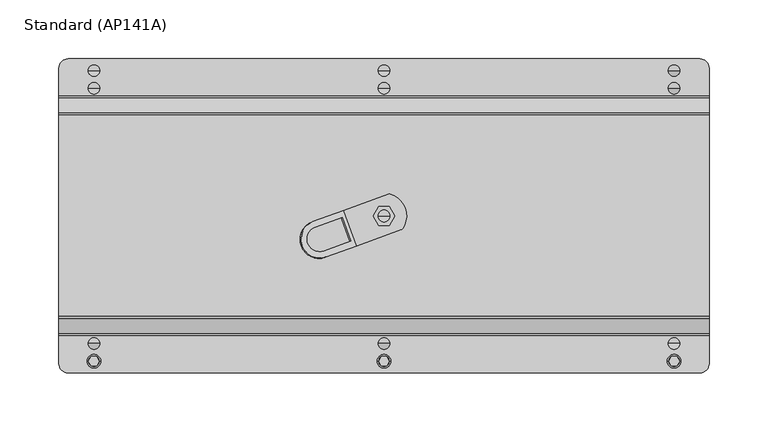
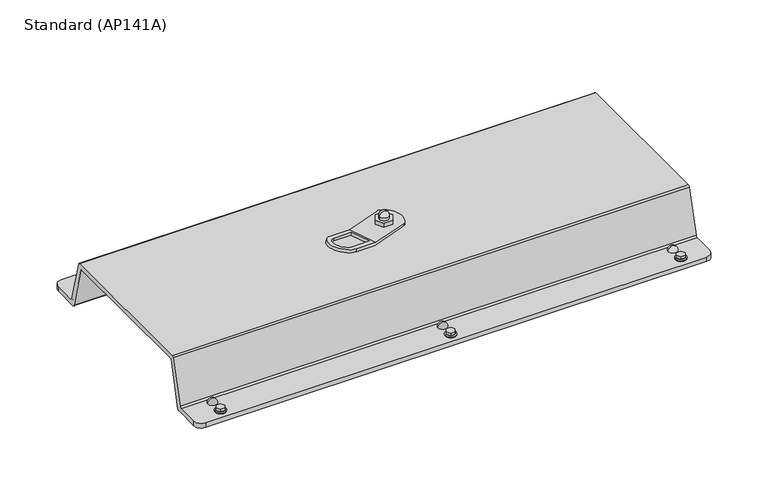
"""IFC4 building model written with IfcOpenShell, lengths in millimetres: proxy geometry, Standard (AP141A)."""

import ifcopenshell
import ifcopenshell.guid

model = None  # the IFC model being written
_history = None  # IfcOwnerHistory: only IFC2X3 demands one
_inside = {}  # id of a spatial element -> (the spatial element, [elements in it])
_under = {}  # id of a project, library or spatial element -> (it, [spatial elements below it])
_declared = {}  # id of a project -> (the project, [libraries it declares])
_typed = {}  # id of a type object -> (the type object, [elements of that type])
_made_of = {}  # id of a material, layer set ... -> (it, [elements and type objects made of it])


def new_model(schema):
    """Start an empty IFC model of exactly this schema.

    Asked for "IFC4X3", IfcOpenShell would pick the latest addendum, in which some entities
    have other attributes; the version numbers below select the first issue.
    IFC2X3 requires an IfcOwnerHistory on every rooted entity: one is made here for all.
    """
    global model, _history
    if schema == "IFC4X3":
        model = ifcopenshell.file(schema_version=(4, 3, 0, 0))
    else:
        model = ifcopenshell.file(schema=schema)
    _inside.clear()
    _under.clear()
    _declared.clear()
    _typed.clear()
    _made_of.clear()
    _history = None
    if model.schema == "IFC2X3":
        org = make("IfcOrganization", Name="unknown")
        user = make(
            "IfcPersonAndOrganization",
            ThePerson=make("IfcPerson", FamilyName="unknown"),
            TheOrganization=org,
        )
        app = make(
            "IfcApplication",
            ApplicationDeveloper=org,
            Version="unknown",
            ApplicationFullName="unknown",
            ApplicationIdentifier="unknown",
        )
        _history = make(
            "IfcOwnerHistory",
            OwningUser=user,
            OwningApplication=app,
            ChangeAction="ADDED",
            CreationDate=0,
        )
    return model


def make(cls, **values):
    """One entity of the class cls with the attributes given. An attribute that is None is left unset."""
    return model.create_entity(
        cls, **{name: value for name, value in values.items() if value is not None}
    )


def rooted(cls, **values):
    """An entity with a GlobalId (a new one), such as an element, a storey or a relation."""
    return make(cls, GlobalId=ifcopenshell.guid.new(), OwnerHistory=_history, **values)


def si_unit(unit_type, name, prefix=None):
    """IfcSIUnit, for example si_unit("LENGTHUNIT", "METRE", prefix="MILLI")."""
    return make("IfcSIUnit", UnitType=unit_type, Prefix=prefix, Name=name)


def assignment(units):
    """IfcUnitAssignment: the units of a project."""
    return None if units is None else make("IfcUnitAssignment", Units=units)


def point(xyz):
    """IfcCartesianPoint."""
    return None if xyz is None else make("IfcCartesianPoint", Coordinates=xyz)


def direction(xyz):
    """IfcDirection."""
    return None if xyz is None else make("IfcDirection", DirectionRatios=xyz)


def frame(location, z_axis=None, x_axis=None):
    """IfcAxis2Placement3D, a coordinate frame: its origin and axes. An axis left out is left unset."""
    return make(
        "IfcAxis2Placement3D",
        Location=point(location),
        Axis=direction(z_axis),
        RefDirection=direction(x_axis),
    )


def origin():
    """The frame at (0, 0, 0) with its axes left unset."""
    return frame((0.0, 0.0, 0.0))


def place(relative_to, where):
    """IfcLocalPlacement: puts the frame where relative to a parent placement (None: the world)."""
    return make(
        "IfcLocalPlacement", PlacementRelTo=relative_to, RelativePlacement=where
    )


def context(
    kind, dimensions, precision=None, world=None, true_north=None, identifier=None
):
    """IfcGeometricRepresentationContext, for example the 3D "Model" context."""
    return make(
        "IfcGeometricRepresentationContext",
        ContextIdentifier=identifier,
        ContextType=kind,
        CoordinateSpaceDimension=dimensions,
        Precision=precision,
        WorldCoordinateSystem=world,
        TrueNorth=true_north,
    )


def project(units=None, contexts=None):
    """IfcProject with its units and contexts."""
    return rooted(
        "IfcProject",
        Name="project",
        RepresentationContexts=contexts,
        UnitsInContext=assignment(units),
    )


def spatial(cls, under=None, at=None, **own):
    """A site, building, storey or space (cls), placed at a placement, below another one or the project."""
    s = rooted(cls, ObjectPlacement=at, **own)
    if under is not None:
        _under.setdefault(under.id(), (under, []))[1].append(s)
    return s


def polyline(points):
    """IfcPolyline through the points."""
    return make("IfcPolyline", Points=[point(p) for p in points])


def circle_curve(where, radius):
    """IfcCircle in the frame where."""
    return make("IfcCircle", Position=where, Radius=radius)


def ellipse_curve(where, semi_axis1, semi_axis2):
    """IfcEllipse in the frame where."""
    return make(
        "IfcEllipse", Position=where, SemiAxis1=semi_axis1, SemiAxis2=semi_axis2
    )


def trimmed(basis, trim1, trim2, sense, master):
    """IfcTrimmedCurve: the piece of a basis curve between two trims."""
    return make(
        "IfcTrimmedCurve",
        BasisCurve=basis,
        Trim1=trim1,
        Trim2=trim2,
        SenseAgreement=sense,
        MasterRepresentation=master,
    )


def outline(outer, holes=None, kind="AREA"):
    """IfcArbitraryClosedProfileDef: a profile drawn as a closed curve; with holes, ...WithVoids."""
    if holes is None:
        return make("IfcArbitraryClosedProfileDef", ProfileType=kind, OuterCurve=outer)
    return make(
        "IfcArbitraryProfileDefWithVoids",
        ProfileType=kind,
        OuterCurve=outer,
        InnerCurves=holes,
    )


def extrude(swept, where, along, depth):
    """IfcExtrudedAreaSolid: the profile swept, set in the frame where, extruded along a direction by depth."""
    return make(
        "IfcExtrudedAreaSolid",
        SweptArea=swept,
        Position=where,
        ExtrudedDirection=direction(along),
        Depth=depth,
    )


def shape(context_of_items, identifier, shape_type, items):
    """IfcShapeRepresentation: the items that make up one representation, for example the "Body"."""
    return make(
        "IfcShapeRepresentation",
        ContextOfItems=context_of_items,
        RepresentationIdentifier=identifier,
        RepresentationType=shape_type,
        Items=items,
    )


def source(mapping_origin, context_of_items, identifier, shape_type, items):
    """IfcRepresentationMap: a shape defined once, which mapped items show again and again."""
    return make(
        "IfcRepresentationMap",
        MappingOrigin=mapping_origin,
        MappedRepresentation=shape(context_of_items, identifier, shape_type, items),
    )


def transform(
    local_origin,
    x_axis=None,
    y_axis=None,
    z_axis=None,
    scale=None,
    scale2=None,
    scale3=None,
    uniform=True,
):
    """IfcCartesianTransformationOperator3D, or its non-uniform kind. x_axis, y_axis, z_axis: its Axis1, 2, 3."""
    if uniform:
        return make(
            "IfcCartesianTransformationOperator3D",
            Axis1=direction(x_axis),
            Axis2=direction(y_axis),
            LocalOrigin=point(local_origin),
            Scale=scale,
            Axis3=direction(z_axis),
        )
    return make(
        "IfcCartesianTransformationOperator3DnonUniform",
        Axis1=direction(x_axis),
        Axis2=direction(y_axis),
        LocalOrigin=point(local_origin),
        Scale=scale,
        Axis3=direction(z_axis),
        Scale2=scale2,
        Scale3=scale3,
    )


def mapped(mapping_source, mapping_target):
    """IfcMappedItem: shows the shape of a source again, moved by a transform."""
    return make(
        "IfcMappedItem", MappingSource=mapping_source, MappingTarget=mapping_target
    )


def made_of(thing, what):
    """Note that an element or type object is made of a material, layer set ...; save() writes the relation."""
    if what is not None:
        _made_of.setdefault(what.id(), (what, []))[1].append(thing)
    return thing


def element(
    cls,
    number,
    at=None,
    inside=None,
    cuts=None,
    type_object=None,
    material=None,
    context=None,
    identifier="Body",
    shape_type=None,
    held_by="IfcProductDefinitionShape",
    body=None,
    shapes=None,
    **own,
):
    """One element of the class cls, such as IfcWall. Its Tag is "e" and its number.

    at: its placement. inside: the storey or other place that contains it. cuts: it is an
    opening in that element (IfcRelVoidsElement). A single representation is given by context,
    identifier, shape_type and body (its items); several are given by shapes. held_by: the class
    of the entity that holds the representations. save() writes the other relations.
    """
    e = rooted(cls, Tag="e%d" % number, ObjectPlacement=at, **own)
    if body is not None:
        shapes = [shape(context, identifier, shape_type, body)]
    if shapes is not None:
        e.Representation = make(held_by, Representations=shapes)
    if inside is not None:
        _inside.setdefault(inside.id(), (inside, []))[1].append(e)
    if cuts is not None:
        rooted(
            "IfcRelVoidsElement", RelatingBuildingElement=cuts, RelatedOpeningElement=e
        )
    if type_object is not None:
        _typed.setdefault(type_object.id(), (type_object, []))[1].append(e)
    return made_of(e, material)


def aggregate(whole, parts):
    """IfcRelAggregates: a whole, such as a stair, and the parts it consists of."""
    return rooted("IfcRelAggregates", RelatingObject=whole, RelatedObjects=parts)


def save(model, path):
    """Write the relations noted so far, then the file.

    IfcRelAggregates (storeys below a building ...), IfcRelContainedInSpatialStructure (elements
    in a storey), IfcRelDefinesByType, IfcRelAssociatesMaterial and IfcRelDeclares: one each for
    every whole, place, type object, material and project.
    """
    for whole, parts in _under.values():
        aggregate(whole, parts)
    for where, things in _inside.values():
        rooted(
            "IfcRelContainedInSpatialStructure",
            RelatedElements=things,
            RelatingStructure=where,
        )
    for kind, things in _typed.values():
        rooted("IfcRelDefinesByType", RelatedObjects=things, RelatingType=kind)
    for what, things in _made_of.values():
        rooted("IfcRelAssociatesMaterial", RelatedObjects=things, RelatingMaterial=what)
    for by, libraries in _declared.values():
        rooted("IfcRelDeclares", RelatingContext=by, RelatedDefinitions=libraries)
    model.write(path)


def plane_surface(at):
    """IfcPlane: the flat surface through the origin of the frame at, square to its z axis."""
    return make("IfcPlane", Position=at)


def cylinder_surface(at, radius):
    """IfcCylindricalSurface: all points at the distance radius from the z axis of the frame at."""
    return make("IfcCylindricalSurface", Position=at, Radius=radius)


def revolved_surface(curve, axis_point, axis_direction):
    """IfcSurfaceOfRevolution: the curve turned about the line through axis_point along axis_direction."""
    return make(
        "IfcSurfaceOfRevolution",
        SweptCurve=make("IfcArbitraryOpenProfileDef", ProfileType="CURVE", Curve=curve),
        AxisPosition=make("IfcAxis1Placement", Location=point(axis_point), Axis=direction(axis_direction)),
    )


def advanced_brep(points, edges, surfaces, faces):
    """IfcAdvancedBrep: a solid bounded by faces that lie on surfaces and meet in shared edges.

    An edge is (start, end): straight between two places in points (the first is 0);
    or (start, end, curve); or (start, end, curve, False) where it runs against its curve.
    A face is (place in surfaces, loops), or (place, loops, False) where it looks against
    its surface's normal. A loop lists edges by number (the first is 1), with a minus sign
    where the edge is run from its end to its start. The first loop is the outer one.
    """
    corners = [point(p) for p in points]
    vertices = [make("IfcVertexPoint", VertexGeometry=c) for c in corners]
    made = []
    for start, end, *more in edges:
        made.append(
            make(
                "IfcEdgeCurve",
                EdgeStart=vertices[start],
                EdgeEnd=vertices[end],
                EdgeGeometry=more[0] if more else make("IfcPolyline", Points=[corners[start], corners[end]]),
                SameSense=more[1] if len(more) > 1 else True,
            )
        )
    hull = []
    for where, loops, *sense in faces:
        bounds = []
        for j, loop in enumerate(loops):
            ring = [make("IfcOrientedEdge", EdgeElement=made[abs(k) - 1], Orientation=k > 0) for k in loop]
            bounds.append(
                make(
                    "IfcFaceOuterBound" if j == 0 else "IfcFaceBound",
                    Bound=make("IfcEdgeLoop", EdgeList=ring),
                    Orientation=True,
                )
            )
        hull.append(make("IfcAdvancedFace", Bounds=bounds, FaceSurface=surfaces[where], SameSense=sense[0] if sense else True))
    return make("IfcAdvancedBrep", Outer=make("IfcClosedShell", CfsFaces=hull))


def standard_ap141a_91ac2d95(model_context):
    return source(origin(), model_context, "Body", "SolidModel", [
        advanced_brep(
        [(-276.0, 133.5384758, 0.0), (-276.0, 133.5384758, 5.0), (-268.0384758, 141.5, 5.0), (-268.0384758, 141.5, 0.0), (276.0, 133.5384758, 5.0), (276.0, 133.5384758, 0.0), (268.0384758, 141.5, 0.0), (268.0384758, 141.5, 5.0), (-276.0, -117.5384758, 5.0), (-276.0, -117.5384758, 0.0), (-268.0384758, -125.5, 0.0), (-268.0384758, -125.5, 5.0), (276.0, -117.5384758, 0.0), (276.0, -117.5384758, 5.0), (268.0384758, -125.5, 5.0), (268.0384758, -125.5, 0.0), (-276.0, 106.2364948, 0.0), (-276.0, 104.3046432, 1.4823619), (-276.0, 91.7015789, 48.5176381), (-276.0, 89.7697272, 50.0), (-276.0, -73.7697272, 50.0), (-276.0, -75.7015789, 49.981704), (-276.0, -88.3046432, 1.4823619), (-276.0, -90.2364948, 0.0), (-276.0, -94.0731297, 5.0), (-276.0, -92.1412781, 6.4823619), (-276.0, -79.5382138, 53.5176381), (-276.0, -77.6063622, 55.0), (-276.0, 93.6063622, 55.0), (-276.0, 95.5382138, 53.5176381), (-276.0, 108.1412781, 6.4823619), (-276.0, 110.0731297, 5.0), (276.0, 110.0731297, 5.0), (276.0, 108.1412781, 6.4823619), (276.0, 95.5382138, 53.5176381), (276.0, 93.6063622, 55.0), (276.0, -77.6063622, 55.0), (276.0, -79.5382138, 53.5176381), (276.0, -92.1412781, 6.4823619), (276.0, -94.0731297, 5.0), (276.0, -90.2364948, 0.0), (276.0, -88.3046432, 1.4823619), (276.0, -75.7015789, 49.981704), (276.0, -73.7697272, 50.0), (276.0, 89.7697272, 50.0), (276.0, 91.7015789, 48.5176381), (276.0, 104.3046432, 1.4823619), (276.0, 106.2364948, 0.0)],
        [
            (0, 1),
            (1, 2, circle_curve(frame((-268.0384758, 133.5384758, 5.0), z_axis=(0.0, 0.0, -1.0), x_axis=(0.0, 1.0, 0.0)), 7.9615242)),
            (2, 3),
            (3, 0, circle_curve(frame((-268.0384758, 133.5384758, 0.0), z_axis=(0.0, 0.0, 1.0), x_axis=(0.0, 1.0, 0.0)), 7.9615242)),
            (4, 5),
            (5, 6, circle_curve(frame((268.0384758, 133.5384758, 0.0), z_axis=(0.0, 0.0, 1.0), x_axis=(0.0, 1.0, 0.0)), 7.9615242)),
            (6, 7),
            (7, 4, circle_curve(frame((268.0384758, 133.5384758, 5.0), z_axis=(0.0, 0.0, -1.0), x_axis=(0.0, 1.0, 0.0)), 7.9615242)),
            (8, 9),
            (9, 10, circle_curve(frame((-268.0384758, -117.5384758, 0.0), z_axis=(0.0, 0.0, 1.0), x_axis=(0.0, 1.0, 0.0)), 7.9615242)),
            (10, 11),
            (11, 8, circle_curve(frame((-268.0384758, -117.5384758, 5.0), z_axis=(0.0, 0.0, -1.0), x_axis=(0.0, 1.0, 0.0)), 7.9615242)),
            (12, 13),
            (13, 14, circle_curve(frame((268.0384758, -117.5384758, 5.0), z_axis=(0.0, 0.0, -1.0), x_axis=(0.0, 1.0, 0.0)), 7.9615242)),
            (14, 15),
            (15, 12, circle_curve(frame((268.0384758, -117.5384758, 0.0), z_axis=(0.0, 0.0, 1.0), x_axis=(0.0, 1.0, 0.0)), 7.9615242)),
            (16, 17, circle_curve(frame((-276.0, 106.2364948, 2.0), z_axis=(-1.0, 0.0, 0.0), x_axis=(0.0, 1.0, 0.0)), 2.0)),
            (17, 18),
            (18, 19, circle_curve(frame((-276.0, 89.7697272, 48.0), z_axis=(1.0, 0.0, 0.0), x_axis=(0.0, 1.0, 0.0)), 2.0)),
            (19, 20),
            (20, 21, circle_curve(frame((-276.0, -73.7697272, -52.0), z_axis=(1.0, 0.0, 0.0), x_axis=(0.0, 1.0, 0.0)), 102.0)),
            (21, 22),
            (22, 23, circle_curve(frame((-276.0, -90.2364948, 2.0), z_axis=(-1.0, 0.0, 0.0), x_axis=(0.0, 1.0, 0.0)), 2.0)),
            (23, 9),
            (8, 24),
            (24, 25, circle_curve(frame((-276.0, -94.0731297, 7.0), z_axis=(1.0, 0.0, 0.0), x_axis=(0.0, 1.0, 0.0)), 2.0)),
            (25, 26),
            (26, 27, circle_curve(frame((-276.0, -77.6063622, 53.0), z_axis=(-1.0, 0.0, 0.0), x_axis=(0.0, 1.0, 0.0)), 2.0)),
            (27, 28),
            (28, 29, circle_curve(frame((-276.0, 93.6063622, 53.0), z_axis=(-1.0, 0.0, 0.0), x_axis=(0.0, 1.0, 0.0)), 2.0)),
            (29, 30),
            (30, 31, circle_curve(frame((-276.0, 110.0731297, 7.0), z_axis=(1.0, 0.0, 0.0), x_axis=(0.0, 1.0, 0.0)), 2.0)),
            (31, 1),
            (0, 16),
            (32, 33, circle_curve(frame((276.0, 110.0731297, 7.0), z_axis=(-1.0, 0.0, 0.0), x_axis=(0.0, 1.0, 0.0)), 2.0)),
            (33, 34),
            (34, 35, circle_curve(frame((276.0, 93.6063622, 53.0), z_axis=(1.0, 0.0, 0.0), x_axis=(0.0, 1.0, 0.0)), 2.0)),
            (35, 36),
            (36, 37, circle_curve(frame((276.0, -77.6063622, 53.0), z_axis=(1.0, 0.0, 0.0), x_axis=(0.0, 1.0, 0.0)), 2.0)),
            (37, 38),
            (38, 39, circle_curve(frame((276.0, -94.0731297, 7.0), z_axis=(-1.0, 0.0, 0.0), x_axis=(0.0, 1.0, 0.0)), 2.0)),
            (39, 13),
            (12, 40),
            (40, 41, circle_curve(frame((276.0, -90.2364948, 2.0), z_axis=(1.0, 0.0, 0.0), x_axis=(0.0, 1.0, 0.0)), 2.0)),
            (41, 42),
            (42, 43, circle_curve(frame((276.0, -73.7697272, -52.0), z_axis=(-1.0, 0.0, 0.0), x_axis=(0.0, 1.0, 0.0)), 102.0)),
            (43, 44),
            (44, 45, circle_curve(frame((276.0, 89.7697272, 48.0), z_axis=(-1.0, 0.0, 0.0), x_axis=(0.0, 1.0, 0.0)), 2.0)),
            (45, 46),
            (46, 47, circle_curve(frame((276.0, 106.2364948, 2.0), z_axis=(1.0, 0.0, 0.0), x_axis=(0.0, 1.0, 0.0)), 2.0)),
            (47, 5),
            (4, 32),
            (31, 32),
            (7, 2),
            (6, 3),
            (47, 16),
            (46, 17),
            (45, 18),
            (44, 19),
            (43, 20),
            (42, 21),
            (41, 22),
            (40, 23),
            (15, 10),
            (14, 11),
            (39, 24),
            (38, 25),
            (37, 26),
            (36, 27),
            (35, 28),
            (34, 29),
            (33, 30),
        ],
        [
            cylinder_surface(frame((-268.0384758, 133.5384758, 5.0), z_axis=(0.0, 0.0, 1.0), x_axis=(0.0, 1.0, 0.0)), 7.9615242),
            cylinder_surface(frame((268.0384758, 133.5384758, 5.0), z_axis=(0.0, 0.0, 1.0), x_axis=(0.0, 1.0, 0.0)), 7.9615242),
            cylinder_surface(frame((-268.0384758, -117.5384758, 5.0), z_axis=(0.0, 0.0, 1.0), x_axis=(0.0, 1.0, 0.0)), 7.9615242),
            cylinder_surface(frame((268.0384758, -117.5384758, 5.0), z_axis=(0.0, 0.0, 1.0), x_axis=(0.0, 1.0, 0.0)), 7.9615242),
            plane_surface(frame((-276.0, 8.0, 70.0), z_axis=(-1.0, 0.0, 0.0), x_axis=(0.0, 0.0, 1.0))),
            plane_surface(frame((276.0, 8.0, 70.0), z_axis=(1.0, 0.0, 0.0), x_axis=(0.0, 0.0, 1.0))),
            plane_surface(frame((-276.0, 110.0731297, 5.0), z_axis=(0.0, 0.0, 1.0), x_axis=(1.0, 0.0, 0.0))),
            plane_surface(frame((-276.0, 141.5, 5.0), z_axis=(0.0, 1.0, 0.0), x_axis=(1.0, 0.0, 0.0))),
            plane_surface(frame((-276.0, 141.5, 0.0), z_axis=(0.0, 0.0, -1.0), x_axis=(1.0, 0.0, 0.0))),
            cylinder_surface(frame((-276.0, 106.2364948, 2.0), z_axis=(-1.0, 0.0, 0.0), x_axis=(0.0, 1.0, 0.0)), 2.0),
            plane_surface(frame((-276.0, 104.3046432, 1.4823619), z_axis=(0.0, -0.9659258262887878, -0.25881904510356757), x_axis=(1.0, 0.0, 0.0))),
            revolved_surface(polyline([(276.0, 91.7697272, 48.0), (-276.0, 91.7697272, 48.0)]), (-276.0, 89.7697272, 48.0), (1.0, 0.0, 0.0)),
            plane_surface(frame((-276.0, 89.7697272, 50.0), z_axis=(0.0, 0.0, -1.0), x_axis=(1.0, 0.0, 0.0))),
            revolved_surface(polyline([(276.0, 28.230272799999995, -52.0), (-276.0, 28.230272799999995, -52.0)]), (-276.0, -73.7697272, -52.0), (1.0, 0.0, 0.0)),
            plane_surface(frame((-276.0, -75.7015789, 49.981704), z_axis=(0.0, 0.967855375076506, -0.25150740135335165), x_axis=(1.0, 0.0, 0.0))),
            cylinder_surface(frame((-276.0, -90.2364948, 2.0), z_axis=(-1.0, 0.0, 0.0), x_axis=(0.0, 1.0, 0.0)), 2.0),
            plane_surface(frame((-276.0, -90.2364948, 0.0), z_axis=(0.0, 0.0, -1.0), x_axis=(1.0, 0.0, 0.0))),
            plane_surface(frame((-276.0, -125.5, 0.0), z_axis=(0.0, -1.0, 0.0), x_axis=(1.0, 0.0, 0.0))),
            plane_surface(frame((-276.0, -125.5, 5.0), z_axis=(0.0, 0.0, 1.0), x_axis=(1.0, 0.0, 0.0))),
            revolved_surface(polyline([(276.0, -92.0731297, 7.0), (-276.0, -92.0731297, 7.0)]), (-276.0, -94.0731297, 7.0), (1.0, 0.0, 0.0)),
            plane_surface(frame((-276.0, -92.1412781, 6.4823619), z_axis=(0.0, -0.9659258262889532, 0.2588190451029505), x_axis=(1.0, 0.0, 0.0))),
            cylinder_surface(frame((-276.0, -77.6063622, 53.0), z_axis=(-1.0, 0.0, 0.0), x_axis=(0.0, 1.0, 0.0)), 2.0),
            plane_surface(frame((-276.0, -77.6063622, 55.0), z_axis=(0.0, 0.0, 1.0), x_axis=(1.0, 0.0, 0.0))),
            cylinder_surface(frame((-276.0, 93.6063622, 53.0), z_axis=(-1.0, 0.0, 0.0), x_axis=(0.0, 1.0, 0.0)), 2.0),
            plane_surface(frame((-276.0, 95.5382138, 53.5176381), z_axis=(0.0, 0.9659258262890148, 0.2588190451027205), x_axis=(1.0, 0.0, 0.0))),
            revolved_surface(polyline([(276.0, 112.0731297, 7.0), (-276.0, 112.0731297, 7.0)]), (-276.0, 110.0731297, 7.0), (1.0, 0.0, 0.0)),
        ],
        [
            (0, [[1, 2, 3, 4]]),
            (1, [[5, 6, 7, 8]]),
            (2, [[9, 10, 11, 12]]),
            (3, [[13, 14, 15, 16]]),
            (4, [[17, 18, 19, 20, 21, 22, 23, 24, -9, 25, 26, 27, 28, 29, 30, 31, 32, 33, -1, 34]]),
            (5, [[35, 36, 37, 38, 39, 40, 41, 42, -13, 43, 44, 45, 46, 47, 48, 49, 50, 51, -5, 52]]),
            (6, [[53, -52, -8, 54, -2, -33]]),
            (7, [[-54, -7, 55, -3]]),
            (8, [[56, -34, -4, -55, -6, -51]]),
            (9, [[-17, -56, -50, 57]]),
            (10, [[-18, -57, -49, 58]]),
            (11, [[-19, -58, -48, 59]]),
            (12, [[-20, -59, -47, 60]]),
            (13, [[-21, -60, -46, 61]]),
            (14, [[-22, -61, -45, 62]]),
            (15, [[-23, -62, -44, 63]]),
            (16, [[-63, -43, -16, 64, -10, -24]]),
            (17, [[-64, -15, 65, -11]]),
            (18, [[66, -25, -12, -65, -14, -42]]),
            (19, [[-26, -66, -41, 67]]),
            (20, [[-27, -67, -40, 68]]),
            (21, [[-28, -68, -39, 69]]),
            (22, [[-29, -69, -38, 70]]),
            (23, [[-30, -70, -37, 71]]),
            (24, [[-31, -71, -36, 72]]),
            (25, [[-32, -72, -35, -53]]),
        ],
    ),
        advanced_brep(
        [(4.9975558, 8.0, 62.4700726), (-4.9975558, 8.0, 62.4700726), (-4.9975558, 8.0, 65.239606), (4.9975558, 8.0, 65.239606), (2.018899, 8.0, 62.4700726), (-2.018899, 8.0, 62.4700726), (2.018899, 8.0, 40.0819807), (-2.018899, 8.0, 40.0819807), (0.0, 8.0, 40.0819807), (0.0, 8.0, 70.0)],
        [
            (0, 1, circle_curve(frame((0.0, 8.0, 62.4700726), z_axis=(0.0, 0.0, 1.0), x_axis=(-1.0, 0.0, 0.0)), 4.9975558)),
            (1, 2),
            (2, 3, circle_curve(frame((0.0, 8.0, 65.239606), z_axis=(0.0, 0.0, -1.0), x_axis=(-1.0, 0.0, 0.0)), 4.9975558)),
            (3, 0),
            (1, 0, circle_curve(frame((0.0, 8.0, 62.4700726), z_axis=(0.0, 0.0, 1.0), x_axis=(-1.0, 0.0, 0.0)), 4.9975558)),
            (3, 2, circle_curve(frame((0.0, 8.0, 65.239606), z_axis=(0.0, 0.0, -1.0), x_axis=(-1.0, 0.0, 0.0)), 4.9975558)),
            (4, 5, circle_curve(frame((0.0, 8.0, 62.4700726), z_axis=(0.0, 0.0, 1.0), x_axis=(-1.0, 0.0, 0.0)), 2.018899)),
            (5, 1),
            (0, 4),
            (5, 4, circle_curve(frame((0.0, 8.0, 62.4700726), z_axis=(0.0, 0.0, 1.0), x_axis=(-1.0, 0.0, 0.0)), 2.018899)),
            (6, 7, circle_curve(frame((0.0, 8.0, 40.0819807), z_axis=(0.0, 0.0, 1.0), x_axis=(-1.0, 0.0, 0.0)), 2.018899)),
            (7, 5),
            (4, 6),
            (7, 6, circle_curve(frame((0.0, 8.0, 40.0819807), z_axis=(0.0, 0.0, 1.0), x_axis=(-1.0, 0.0, 0.0)), 2.018899)),
            (8, 7),
            (6, 8),
            (2, 9, circle_curve(frame((-0.2315344, 8.0, 65.239606), z_axis=(0.0, 1.0, 0.0), x_axis=(1.0, 0.0, 0.0)), 4.7660214)),
            (9, 3, circle_curve(frame((0.2315344, 8.0, 65.239606), z_axis=(0.0, 1.0, 0.0), x_axis=(-1.0, 0.0, 0.0)), 4.7660214)),
        ],
        [
            cylinder_surface(frame((0.0, 8.0, 70.0), z_axis=(0.0, 0.0, -1.0), x_axis=(-1.0, 0.0, 0.0)), 4.9975558),
            plane_surface(frame((0.0, 8.0, 62.4700726), z_axis=(0.0, 0.0, -1.0), x_axis=(-1.0, 0.0, 0.0))),
            cylinder_surface(frame((0.0, 8.0, 70.0), z_axis=(0.0, 0.0, -1.0), x_axis=(-1.0, 0.0, 0.0)), 2.018899),
            plane_surface(frame((0.0, 8.0, 40.0819807), z_axis=(0.0, 0.0, -1.0), x_axis=(-1.0, 0.0, 0.0))),
            revolved_surface(trimmed(ellipse_curve(frame((-0.2315344, 8.0, 65.239606), z_axis=(0.0, -1.0, 0.0), x_axis=(1.0, 0.0, 0.0)), 4.7660214, 4.7660214), [point((0.0, 8.0, 70.0))], [point((-4.9975558, 8.0, 65.239606))], True, "CARTESIAN"), (0.0, 8.0, 70.0), (0.0, 0.0, -1.0)),
        ],
        [
            (0, [[1, 2, 3, 4]]),
            (0, [[5, -4, 6, -2]]),
            (1, [[7, 8, -1, 9]]),
            (1, [[10, -9, -5, -8]]),
            (2, [[11, 12, -7, 13]]),
            (2, [[14, -13, -10, -12]]),
            (3, [[15, -11, 16]]),
            (3, [[-16, -14, -15]]),
            (4, [[-3, 17, 18]]),
            (4, [[-6, -18, -17]]),
        ],
    ),
        advanced_brep(
        [(14.7843745, -3.6457721, 58.0), (15.7444666, -2.9051707, 58.0), (5.0526834, 26.4738022, 58.0), (3.8410114, 26.4240413, 58.0), (-34.2476637, 12.5608973, 58.0), (-23.3032816, -17.5085452, 58.0), (-4.6188022, 0.0, 58.0), (-9.2376043, 8.0, 58.0), (-4.6188022, 16.0, 58.0), (4.6188022, 16.0, 58.0), (9.2376043, 8.0, 58.0), (4.6188022, 0.0, 58.0), (14.7843745, -3.6457721, 55.0), (-23.3032816, -17.5085452, 55.0), (-34.2479262, 12.5616186, 55.0), (3.8410114, 26.4240413, 55.0), (5.0526834, 26.4738022, 55.0), (15.7444666, -2.9051707, 55.0), (-9.2376043, 8.0, 55.0), (-4.6188022, 0.0, 55.0), (4.6188022, 0.0, 55.0), (9.2376043, 8.0, 55.0), (4.6188022, 16.0, 55.0), (-4.6188022, 16.0, 55.0), (-60.3795268, 3.0504939, 65.7134648), (-61.1234023, 2.7797453, 62.8595228), (-50.1787577, -27.2904186, 62.8595228), (-49.4348822, -27.01967, 65.7134648), (-58.6694261, -1.6479692, 65.7134648), (-35.575091, 6.7576813, 58.8965329), (-28.253942, -13.3570103, 58.8965329), (-51.3482771, -21.7626608, 65.7134648), (-36.3036665, 6.4925015, 56.1012907), (-59.4133016, -1.9187178, 62.8595228), (-28.9825175, -13.6221901, 56.1012907), (-52.0921526, -22.0334094, 62.8595228), (-9.2376043, 8.0, 62.4700726), (-4.6188022, 0.0, 62.4700726), (4.6188022, 0.0, 62.4700726), (9.2376043, 8.0, 62.4700726), (4.6188022, 16.0, 62.4700726), (-4.6188022, 16.0, 62.4700726), (-9.2376043, 8.0, 45.0), (-4.6188022, 16.0, 45.0), (4.6188022, 16.0, 45.0), (9.2376043, 8.0, 45.0), (4.6188022, 0.0, 45.0), (-4.6188022, 0.0, 45.0)],
        [
            (0, 1, circle_curve(frame((14.1003342, -1.7663869, 58.0), z_axis=(0.0, 0.0, 1.0), x_axis=(-1.0, 0.0, 0.0)), 2.0)),
            (1, 2, circle_curve(frame((0.0, 8.0, 58.0), z_axis=(0.0, 0.0, 1.0), x_axis=(-1.0, 0.0, 0.0)), 19.15231)),
            (2, 3, circle_curve(frame((4.5250517, 24.5446561, 58.0), z_axis=(0.0, 0.0, 1.0), x_axis=(-1.0, 0.0, 0.0)), 2.0)),
            (3, 4),
            (4, 5),
            (5, 0),
            (6, 7),
            (7, 8),
            (8, 9),
            (9, 10),
            (10, 11),
            (11, 6),
            (12, 13),
            (13, 14),
            (14, 15),
            (15, 16, circle_curve(frame((4.5250517, 24.5446561, 55.0), z_axis=(0.0, 0.0, -1.0), x_axis=(-1.0, 0.0, 0.0)), 2.0)),
            (16, 17, circle_curve(frame((0.0, 8.0, 55.0), z_axis=(0.0, 0.0, -1.0), x_axis=(-1.0, 0.0, 0.0)), 19.15231)),
            (17, 12, circle_curve(frame((14.1003342, -1.7663869, 55.0), z_axis=(0.0, 0.0, -1.0), x_axis=(-1.0, 0.0, 0.0)), 2.0)),
            (18, 19),
            (19, 20),
            (20, 21),
            (21, 22),
            (22, 23),
            (23, 18),
            (1, 17),
            (16, 2),
            (0, 12),
            (15, 3),
            (24, 4),
            (14, 25),
            (25, 24),
            (26, 13),
            (5, 27),
            (27, 26),
            (24, 27, circle_curve(frame((-54.9072045, -11.9845881, 65.7134648), z_axis=(0.25116542412518367, 0.09141673825841218, 0.9636176159090336), x_axis=(-0.9055043629290311, -0.32957663510433993, 0.26728466156850533)), 16.0)),
            (28, 29),
            (29, 30),
            (30, 31),
            (31, 28, circle_curve(frame((-55.0088516, -11.705315, 65.7134648), z_axis=(-0.25116542412518367, -0.09141673825841218, -0.9636176159090336), x_axis=(-0.9055043629290311, -0.32957663510433993, 0.26728466156850533)), 10.7028038)),
            (32, 29),
            (28, 33),
            (33, 32),
            (32, 34),
            (34, 30),
            (25, 26, ellipse_curve(frame((-55.65108, -12.2553366, 62.8595228), z_axis=(0.24900195759602314, 0.09062930083896657, 0.9642532628634392), x_axis=(-0.9061016756814827, -0.3297940391667767, 0.26498234857679087)), 16.0000456, 16.0)),
            (34, 35),
            (35, 31),
            (35, 33, ellipse_curve(frame((-55.7527271, -11.9760636, 62.8595228), z_axis=(-0.24900195759602314, -0.09062930083896657, -0.9642532628634392), x_axis=(0.9061016756814827, 0.3297940391667767, -0.26498234857679087)), 10.7028344, 10.7028038)),
            (36, 37),
            (37, 38),
            (38, 39),
            (39, 40),
            (40, 41),
            (41, 36),
            (42, 43),
            (43, 44),
            (44, 45),
            (45, 46),
            (46, 47),
            (47, 42),
            (36, 7),
            (6, 37),
            (47, 19),
            (18, 42),
            (11, 38),
            (46, 20),
            (10, 39),
            (45, 21),
            (9, 40),
            (44, 22),
            (8, 41),
            (43, 23),
        ],
        [
            plane_surface(frame((12.1003342, -1.7663869, 58.0), z_axis=(0.0, 0.0, 1.0), x_axis=(0.0, -1.0, 0.0))),
            plane_surface(frame((12.1003342, -1.7663869, 55.0), z_axis=(0.0, 0.0, -1.0), x_axis=(0.0, 1.0, 0.0))),
            cylinder_surface(frame((0.0, 8.0, 55.0), z_axis=(0.0, 0.0, 1.0), x_axis=(-1.0, 0.0, 0.0)), 19.15231),
            cylinder_surface(frame((14.1003342, -1.7663869, 55.0), z_axis=(0.0, 0.0, 1.0), x_axis=(-1.0, 0.0, 0.0)), 2.0),
            cylinder_surface(frame((4.5250517, 24.5446561, 55.0), z_axis=(0.0, 0.0, 1.0), x_axis=(-1.0, 0.0, 0.0)), 2.0),
            plane_surface(frame((-74.9014089, -2.235039, 70.0), z_axis=(-0.3420201433256619, 0.9396926207859111, 0.0), x_axis=(0.2511654241251734, 0.09141673825840832, 0.9636176159090366))),
            plane_surface(frame((-63.9567643, -32.3052028, 70.0), z_axis=(0.3420201433256619, -0.9396926207859111, 0.0), x_axis=(-0.2511654241251734, -0.09141673825840832, -0.9636176159090366))),
            plane_surface(frame((-23.3032816, -17.5085452, 58.0), z_axis=(0.25116542412518367, 0.09141673825841218, 0.9636176159090336), x_axis=(-0.3420201433256619, 0.9396926207859109, 0.0))),
            plane_surface(frame((-34.594176, 7.1147052, 62.6598971), z_axis=(0.34202014332566183, -0.939692620785911, 0.0), x_axis=(-0.251165424125183, -0.09141673825841225, -0.9636176159090337))),
            plane_surface(frame((-27.273027, -12.9999864, 62.6598971), z_axis=(-0.905504362929031, -0.32957663510434004, 0.26728466156850555), x_axis=(-0.2511654241251839, -0.09141673825841222, -0.9636176159090335))),
            cylinder_surface(frame((-54.9072045, -11.9845881, 65.7134648), z_axis=(-0.25116542412518367, -0.09141673825841218, -0.9636176159090336), x_axis=(-0.9055043629290311, -0.32957663510433993, 0.26728466156850533)), 16.0),
            plane_surface(frame((-50.3673621, -21.405637, 69.476829), z_axis=(-0.3420201433256609, 0.9396926207859114, 0.0), x_axis=(-0.2511654241251839, -0.09141673825841222, -0.9636176159090335))),
            revolved_surface(polyline([(-64.70028710106304, -15.23270908624029, 68.57416008633575), (-65.45058320215553, -15.505794533923938, 65.69558496924385)]), (-57.1800241, -12.4955572, 57.3835758), (0.25116542412518367, 0.09141673825841218, 0.9636176159090336)),
            plane_surface(frame((-64.7102606, -32.5794531, 67.1091472), z_axis=(-0.24900195759602314, -0.09062930083896657, -0.9642532628634392), x_axis=(-0.3420201433256619, 0.9396926207859109, 0.0))),
            plane_surface(frame((-9.2376043, 8.0, 62.4700726), z_axis=(0.0, 0.0, 1.0), x_axis=(0.4999999999999948, -0.8660254037844417, 0.0))),
            plane_surface(frame((-9.2376043, 8.0, 45.0), z_axis=(0.0, 0.0, -1.0), x_axis=(-0.4999999999999948, 0.8660254037844417, 0.0))),
            plane_surface(frame((-9.2376043, 8.0, 62.4700726), z_axis=(-0.8660254037844417, -0.4999999999999948, 0.0), x_axis=(0.0, 0.0, -1.0))),
            plane_surface(frame((-4.6188022, 0.0, 62.4700726), z_axis=(0.0, -1.0, 0.0), x_axis=(0.0, 0.0, -1.0))),
            plane_surface(frame((4.6188022, 0.0, 62.4700726), z_axis=(0.8660254037844363, -0.5000000000000043, 0.0), x_axis=(0.0, 0.0, -1.0))),
            plane_surface(frame((9.2376043, 8.0, 62.4700726), z_axis=(0.8660254037844431, 0.49999999999999245, 0.0), x_axis=(0.0, 0.0, -1.0))),
            plane_surface(frame((4.6188022, 16.0, 62.4700726), z_axis=(0.0, 1.0, 0.0), x_axis=(0.0, 0.0, -1.0))),
            plane_surface(frame((-4.6188022, 16.0, 62.4700726), z_axis=(-0.8660254037844376, 0.5000000000000019, 0.0), x_axis=(0.0, 0.0, -1.0))),
        ],
        [
            (0, [[1, 2, 3, 4, 5, 6], [7, 8, 9, 10, 11, 12]]),
            (1, [[13, 14, 15, 16, 17, 18], [19, 20, 21, 22, 23, 24]]),
            (2, [[-2, 25, -17, 26]]),
            (3, [[-1, 27, -18, -25]]),
            (4, [[-3, -26, -16, 28]]),
            (5, [[29, -4, -28, -15, 30, 31]]),
            (6, [[32, -13, -27, -6, 33, 34]]),
            (7, [[-29, 35, -33, -5], [36, 37, 38, 39]]),
            (8, [[40, -36, 41, 42]]),
            (9, [[-40, 43, 44, -37]]),
            (10, [[-31, 45, -34, -35]]),
            (11, [[-44, 46, 47, -38]]),
            (12, [[-47, 48, -41, -39]]),
            (13, [[-30, -14, -32, -45], [-42, -48, -46, -43]]),
            (14, [[49, 50, 51, 52, 53, 54]]),
            (15, [[55, 56, 57, 58, 59, 60]]),
            (16, [[-49, 61, -7, 62]]),
            (16, [[-60, 63, -19, 64]]),
            (17, [[-50, -62, -12, 65]]),
            (17, [[-59, 66, -20, -63]]),
            (18, [[-51, -65, -11, 67]]),
            (18, [[-58, 68, -21, -66]]),
            (19, [[-52, -67, -10, 69]]),
            (19, [[-57, 70, -22, -68]]),
            (20, [[-53, -69, -9, 71]]),
            (20, [[-56, 72, -23, -70]]),
            (21, [[-54, -71, -8, -61]]),
            (21, [[-55, -64, -24, -72]]),
        ],
    ),
        extrude(outline(polyline([(-250.8993561, -115.5), (-248.574678, -111.4735395), (-243.925322, -111.4735395), (-241.6006439, -115.5), (-243.925322, -119.5264605), (-248.574678, -119.5264605), (-250.8993561, -115.5)])), frame((0.0, 0.0, 7.0), z_axis=(0.0, 0.0, 1.0), x_axis=(1.0, 0.0, 0.0)), (0.0, 0.0, 1.0), 3.0),
        advanced_brep(
        [(-240.4764973, -115.5, 5.97969), (-252.0235027, -115.5, 5.97969), (-252.0235027, -115.5, 5.0), (-240.4764973, -115.5, 5.0), (-241.4764973, -115.5, 6.97969), (-251.0235027, -115.5, 6.97969), (-246.25, -115.5, 6.97969), (-246.25, -115.5, 5.0)],
        [
            (0, 1, circle_curve(frame((-246.25, -115.5, 5.97969), z_axis=(0.0, 0.0, -1.0), x_axis=(-1.0, 0.0, 0.0)), 5.7735027)),
            (1, 2),
            (2, 3, circle_curve(frame((-246.25, -115.5, 5.0), z_axis=(0.0, 0.0, 1.0), x_axis=(-1.0, 0.0, 0.0)), 5.7735027)),
            (3, 0),
            (1, 0, circle_curve(frame((-246.25, -115.5, 5.97969), z_axis=(0.0, 0.0, -1.0), x_axis=(-1.0, 0.0, 0.0)), 5.7735027)),
            (3, 2, circle_curve(frame((-246.25, -115.5, 5.0), z_axis=(0.0, 0.0, 1.0), x_axis=(-1.0, 0.0, 0.0)), 5.7735027)),
            (4, 5, circle_curve(frame((-246.25, -115.5, 6.97969), z_axis=(0.0, 0.0, -1.0), x_axis=(-1.0, 0.0, 0.0)), 4.7735027)),
            (5, 1, circle_curve(frame((-251.0235027, -115.5, 5.97969), z_axis=(0.0, -1.0, 0.0), x_axis=(-1.0, 0.0, 0.0)), 1.0)),
            (0, 4, circle_curve(frame((-241.4764973, -115.5, 5.97969), z_axis=(0.0, -1.0, 0.0), x_axis=(1.0, 0.0, 0.0)), 1.0)),
            (5, 4, circle_curve(frame((-246.25, -115.5, 6.97969), z_axis=(0.0, 0.0, -1.0), x_axis=(-1.0, 0.0, 0.0)), 4.7735027)),
            (6, 5),
            (4, 6),
            (2, 7),
            (7, 3),
        ],
        [
            cylinder_surface(frame((-246.25, -115.5, 5.0), z_axis=(0.0, 0.0, 1.0), x_axis=(-1.0, 0.0, 0.0)), 5.7735027),
            revolved_surface(trimmed(ellipse_curve(frame((-251.0235027, -115.5, 5.97969), z_axis=(0.0, 1.0, 0.0), x_axis=(-1.0, 0.0, 0.0)), 1.0, 1.0), [point((-252.0235027, -115.5, 5.97969))], [point((-251.0235027, -115.5, 6.97969))], True, "CARTESIAN"), (-246.25, -115.5, 5.0), (0.0, 0.0, 1.0)),
            plane_surface(frame((-246.25, -115.5, 6.97969), z_axis=(0.0, 0.0, 1.0), x_axis=(-1.0, 0.0, 0.0))),
            plane_surface(frame((-246.25, -115.5, 5.0), z_axis=(0.0, 0.0, -1.0), x_axis=(-1.0, 0.0, 0.0))),
        ],
        [
            (0, [[1, 2, 3, 4]]),
            (0, [[5, -4, 6, -2]]),
            (1, [[7, 8, -1, 9]]),
            (1, [[10, -9, -5, -8]]),
            (2, [[11, -7, 12]]),
            (2, [[-12, -10, -11]]),
            (3, [[-3, 13, 14]]),
            (3, [[-6, -14, -13]]),
        ],
    ),
        extrude(outline(polyline([(-4.6493561, -115.5), (-2.324678, -111.4735395), (2.324678, -111.4735395), (4.6493561, -115.5), (2.324678, -119.5264605), (-2.324678, -119.5264605), (-4.6493561, -115.5)])), frame((0.0, 0.0, 7.0), z_axis=(0.0, 0.0, 1.0), x_axis=(1.0, 0.0, 0.0)), (0.0, 0.0, 1.0), 3.0),
        advanced_brep(
        [(5.7735027, -115.5, 5.97969), (-5.7735027, -115.5, 5.97969), (-5.7735027, -115.5, 5.0), (5.7735027, -115.5, 5.0), (4.7735027, -115.5, 6.97969), (-4.7735027, -115.5, 6.97969), (0.0, -115.5, 6.97969), (0.0, -115.5, 5.0)],
        [
            (0, 1, circle_curve(frame((0.0, -115.5, 5.97969), z_axis=(0.0, 0.0, -1.0), x_axis=(-1.0, 0.0, 0.0)), 5.7735027)),
            (1, 2),
            (2, 3, circle_curve(frame((0.0, -115.5, 5.0), z_axis=(0.0, 0.0, 1.0), x_axis=(-1.0, 0.0, 0.0)), 5.7735027)),
            (3, 0),
            (1, 0, circle_curve(frame((0.0, -115.5, 5.97969), z_axis=(0.0, 0.0, -1.0), x_axis=(-1.0, 0.0, 0.0)), 5.7735027)),
            (3, 2, circle_curve(frame((0.0, -115.5, 5.0), z_axis=(0.0, 0.0, 1.0), x_axis=(-1.0, 0.0, 0.0)), 5.7735027)),
            (4, 5, circle_curve(frame((0.0, -115.5, 6.97969), z_axis=(0.0, 0.0, -1.0), x_axis=(-1.0, 0.0, 0.0)), 4.7735027)),
            (5, 1, circle_curve(frame((-4.7735027, -115.5, 5.97969), z_axis=(0.0, -1.0, 0.0), x_axis=(-1.0, 0.0, 0.0)), 1.0)),
            (0, 4, circle_curve(frame((4.7735027, -115.5, 5.97969), z_axis=(0.0, -1.0, 0.0), x_axis=(1.0, 0.0, 0.0)), 1.0)),
            (5, 4, circle_curve(frame((0.0, -115.5, 6.97969), z_axis=(0.0, 0.0, -1.0), x_axis=(-1.0, 0.0, 0.0)), 4.7735027)),
            (6, 5),
            (4, 6),
            (2, 7),
            (7, 3),
        ],
        [
            cylinder_surface(frame((0.0, -115.5, 5.0), z_axis=(0.0, 0.0, 1.0), x_axis=(-1.0, 0.0, 0.0)), 5.7735027),
            revolved_surface(trimmed(ellipse_curve(frame((-4.7735027, -115.5, 5.97969), z_axis=(0.0, 1.0, 0.0), x_axis=(-1.0, 0.0, 0.0)), 1.0, 1.0), [point((-5.7735027, -115.5, 5.97969))], [point((-4.7735027, -115.5, 6.97969))], True, "CARTESIAN"), (0.0, -115.5, 5.0), (0.0, 0.0, 1.0)),
            plane_surface(frame((0.0, -115.5, 6.97969), z_axis=(0.0, 0.0, 1.0), x_axis=(-1.0, 0.0, 0.0))),
            plane_surface(frame((0.0, -115.5, 5.0), z_axis=(0.0, 0.0, -1.0), x_axis=(-1.0, 0.0, 0.0))),
        ],
        [
            (0, [[1, 2, 3, 4]]),
            (0, [[5, -4, 6, -2]]),
            (1, [[7, 8, -1, 9]]),
            (1, [[10, -9, -5, -8]]),
            (2, [[11, -7, 12]]),
            (2, [[-12, -10, -11]]),
            (3, [[-3, 13, 14]]),
            (3, [[-6, -14, -13]]),
        ],
    ),
        advanced_brep(
        [(252.0235027, -115.5, 5.0), (240.4764973, -115.5, 5.0), (246.25, -115.5, 5.0), (252.0235027, -115.5, 5.97969), (240.4764973, -115.5, 5.97969), (251.0235027, -115.5, 6.97969), (241.4764973, -115.5, 6.97969), (246.25, -115.5, 6.97969)],
        [
            (0, 1, circle_curve(frame((246.25, -115.5, 5.0), z_axis=(0.0, 0.0, -1.0), x_axis=(-1.0, 0.0, 0.0)), 5.7735027)),
            (1, 2),
            (2, 0),
            (1, 0, circle_curve(frame((246.25, -115.5, 5.0), z_axis=(0.0, 0.0, -1.0), x_axis=(-1.0, 0.0, 0.0)), 5.7735027)),
            (3, 4, circle_curve(frame((246.25, -115.5, 5.97969), z_axis=(0.0, 0.0, -1.0), x_axis=(-1.0, 0.0, 0.0)), 5.7735027)),
            (4, 1),
            (0, 3),
            (4, 3, circle_curve(frame((246.25, -115.5, 5.97969), z_axis=(0.0, 0.0, -1.0), x_axis=(-1.0, 0.0, 0.0)), 5.7735027)),
            (5, 6, circle_curve(frame((246.25, -115.5, 6.97969), z_axis=(0.0, 0.0, -1.0), x_axis=(-1.0, 0.0, 0.0)), 4.7735027)),
            (6, 4, circle_curve(frame((241.4764973, -115.5, 5.97969), z_axis=(0.0, -1.0, 0.0), x_axis=(-1.0, 0.0, 0.0)), 1.0)),
            (3, 5, circle_curve(frame((251.0235027, -115.5, 5.97969), z_axis=(0.0, -1.0, 0.0), x_axis=(1.0, 0.0, 0.0)), 1.0)),
            (6, 5, circle_curve(frame((246.25, -115.5, 6.97969), z_axis=(0.0, 0.0, -1.0), x_axis=(-1.0, 0.0, 0.0)), 4.7735027)),
            (7, 6),
            (5, 7),
        ],
        [
            plane_surface(frame((246.25, -115.5, 5.0), z_axis=(0.0, 0.0, -1.0), x_axis=(-1.0, 0.0, 0.0))),
            cylinder_surface(frame((246.25, -115.5, 5.0), z_axis=(0.0, 0.0, 1.0), x_axis=(-1.0, 0.0, 0.0)), 5.7735027),
            revolved_surface(trimmed(ellipse_curve(frame((241.4764973, -115.5, 5.97969), z_axis=(0.0, 1.0, 0.0), x_axis=(-1.0, 0.0, 0.0)), 1.0, 1.0), [point((240.4764973, -115.5, 5.97969))], [point((241.4764973, -115.5, 6.97969))], True, "CARTESIAN"), (246.25, -115.5, 5.0), (0.0, 0.0, 1.0)),
            plane_surface(frame((246.25, -115.5, 6.97969), z_axis=(0.0, 0.0, 1.0), x_axis=(-1.0, 0.0, 0.0))),
        ],
        [
            (0, [[1, 2, 3]]),
            (0, [[4, -3, -2]]),
            (1, [[5, 6, -1, 7]]),
            (1, [[8, -7, -4, -6]]),
            (2, [[9, 10, -5, 11]]),
            (2, [[12, -11, -8, -10]]),
            (3, [[13, -9, 14]]),
            (3, [[-14, -12, -13]]),
        ],
    ),
        advanced_brep(
        [(241.2501481, -100.5, 5.0), (251.2498519, -100.5, 5.0), (246.25, -100.5, 10.0384785), (246.25, -100.5, 5.0)],
        [
            (0, 1, circle_curve(frame((246.25, -100.5, 5.0), z_axis=(0.0, 0.0, 1.0), x_axis=(1.0, 0.0, 0.0)), 4.9998519)),
            (1, 2, circle_curve(frame((246.25, -100.5, 5.0384785), z_axis=(0.0, -1.0, 0.0), x_axis=(-1.0, 0.0, 0.0)), 5.0)),
            (2, 0, circle_curve(frame((246.25, -100.5, 5.0384785), z_axis=(0.0, -1.0, 0.0), x_axis=(1.0, 0.0, 0.0)), 5.0)),
            (1, 0, circle_curve(frame((246.25, -100.5, 5.0), z_axis=(0.0, 0.0, 1.0), x_axis=(1.0, 0.0, 0.0)), 4.9998519)),
            (3, 1),
            (0, 3),
        ],
        [
            revolved_surface(trimmed(ellipse_curve(frame((246.25, -100.5, 5.0384785), z_axis=(0.0, 1.0, 0.0), x_axis=(-1.0, 0.0, 0.0)), 5.0, 5.0), [point((246.25, -100.5, 10.0384785))], [point((251.2498519, -100.5, 5.0))], True, "CARTESIAN"), (246.25, -100.5, 0.0), (0.0, 0.0, -1.0)),
            plane_surface(frame((246.25, -100.5, 5.0), z_axis=(0.0, 0.0, -1.0), x_axis=(1.0, 0.0, 0.0))),
        ],
        [
            (0, [[1, 2, 3]]),
            (0, [[4, -3, -2]]),
            (1, [[5, -1, 6]]),
            (1, [[-6, -4, -5]]),
        ],
    ),
        advanced_brep(
        [(4.9998519, 131.5, 5.0), (-4.9998519, 131.5, 5.0), (0.0, 131.5, 10.0384785), (0.0, 131.5, 5.0)],
        [
            (0, 1, circle_curve(frame((0.0, 131.5, 5.0), z_axis=(0.0, 0.0, 1.0), x_axis=(-1.0, 0.0, 0.0)), 4.9998519)),
            (1, 2, circle_curve(frame((0.0, 131.5, 5.0384785), z_axis=(0.0, 1.0, 0.0), x_axis=(-1.0, 0.0, 0.0)), 5.0)),
            (2, 0, circle_curve(frame((0.0, 131.5, 5.0384785), z_axis=(0.0, 1.0, 0.0), x_axis=(1.0, 0.0, 0.0)), 5.0)),
            (1, 0, circle_curve(frame((0.0, 131.5, 5.0), z_axis=(0.0, 0.0, 1.0), x_axis=(-1.0, 0.0, 0.0)), 4.9998519)),
            (3, 1),
            (0, 3),
        ],
        [
            revolved_surface(trimmed(ellipse_curve(frame((0.0, 131.5, 5.0384785), z_axis=(0.0, -1.0, 0.0), x_axis=(-1.0, 0.0, 0.0)), 5.0, 5.0), [point((0.0, 131.5, 10.0384785))], [point((-4.9998519, 131.5, 5.0))], True, "CARTESIAN"), (0.0, 131.5, 0.0), (0.0, 0.0, -1.0)),
            plane_surface(frame((0.0, 131.5, 5.0), z_axis=(0.0, 0.0, -1.0), x_axis=(-1.0, 0.0, 0.0))),
        ],
        [
            (0, [[1, 2, 3]]),
            (0, [[4, -3, -2]]),
            (1, [[5, -1, 6]]),
            (1, [[-6, -4, -5]]),
        ],
    ),
        advanced_brep(
        [(246.25, 131.5, 10.0384785), (251.2498519, 131.5, 5.0), (241.2501481, 131.5, 5.0), (246.25, 131.5, 5.0)],
        [
            (0, 1, circle_curve(frame((246.25, 131.5, 5.0384785), z_axis=(0.0, 1.0, 0.0), x_axis=(-1.0, 0.0, 0.0)), 5.0)),
            (1, 2, circle_curve(frame((246.25, 131.5, 5.0), z_axis=(0.0, 0.0, 1.0), x_axis=(1.0, 0.0, 0.0)), 4.9998519)),
            (2, 0, circle_curve(frame((246.25, 131.5, 5.0384785), z_axis=(0.0, 1.0, 0.0), x_axis=(1.0, 0.0, 0.0)), 5.0)),
            (2, 1, circle_curve(frame((246.25, 131.5, 5.0), z_axis=(0.0, 0.0, 1.0), x_axis=(1.0, 0.0, 0.0)), 4.9998519)),
            (1, 3),
            (3, 2),
        ],
        [
            revolved_surface(trimmed(ellipse_curve(frame((246.25, 131.5, 5.0384785), z_axis=(0.0, -1.0, 0.0), x_axis=(-1.0, 0.0, 0.0)), 5.0, 5.0), [point((251.2498519, 131.5, 5.0))], [point((246.25, 131.5, 10.0384785))], True, "CARTESIAN"), (246.25, 131.5, 0.0), (0.0, 0.0, 1.0)),
            plane_surface(frame((246.25, 131.5, 5.0), z_axis=(0.0, 0.0, -1.0), x_axis=(1.0, 0.0, 0.0))),
        ],
        [
            (0, [[1, 2, 3]]),
            (0, [[-3, 4, -1]]),
            (1, [[-2, 5, 6]]),
            (1, [[-4, -6, -5]]),
        ],
    ),
        advanced_brep(
        [(-241.2501481, 131.5, 5.0), (-251.2498519, 131.5, 5.0), (-246.25, 131.5, 10.0384785), (-246.25, 131.5, 5.0)],
        [
            (0, 1, circle_curve(frame((-246.25, 131.5, 5.0), z_axis=(0.0, 0.0, 1.0), x_axis=(-1.0, 0.0, 0.0)), 4.9998519)),
            (1, 2, circle_curve(frame((-246.25, 131.5, 5.0384785), z_axis=(0.0, 1.0, 0.0), x_axis=(-1.0, 0.0, 0.0)), 5.0)),
            (2, 0, circle_curve(frame((-246.25, 131.5, 5.0384785), z_axis=(0.0, 1.0, 0.0), x_axis=(1.0, 0.0, 0.0)), 5.0)),
            (1, 0, circle_curve(frame((-246.25, 131.5, 5.0), z_axis=(0.0, 0.0, 1.0), x_axis=(-1.0, 0.0, 0.0)), 4.9998519)),
            (3, 1),
            (0, 3),
        ],
        [
            revolved_surface(trimmed(ellipse_curve(frame((-246.25, 131.5, 5.0384785), z_axis=(0.0, -1.0, 0.0), x_axis=(-1.0, 0.0, 0.0)), 5.0, 5.0), [point((-246.25, 131.5, 10.0384785))], [point((-251.2498519, 131.5, 5.0))], True, "CARTESIAN"), (-246.25, 131.5, 0.0), (0.0, 0.0, -1.0)),
            plane_surface(frame((-246.25, 131.5, 5.0), z_axis=(0.0, 0.0, -1.0), x_axis=(-1.0, 0.0, 0.0))),
        ],
        [
            (0, [[1, 2, 3]]),
            (0, [[4, -3, -2]]),
            (1, [[5, -1, 6]]),
            (1, [[-6, -4, -5]]),
        ],
    ),
        advanced_brep(
        [(4.9998519, 116.5, 5.0), (-4.9998519, 116.5, 5.0), (0.0, 116.5, 10.0384785), (0.0, 116.5, 5.0)],
        [
            (0, 1, circle_curve(frame((0.0, 116.5, 5.0), z_axis=(0.0, 0.0, 1.0), x_axis=(-1.0, 0.0, 0.0)), 4.9998519)),
            (1, 2, circle_curve(frame((0.0, 116.5, 5.0384785), z_axis=(0.0, 1.0, 0.0), x_axis=(-1.0, 0.0, 0.0)), 5.0)),
            (2, 0, circle_curve(frame((0.0, 116.5, 5.0384785), z_axis=(0.0, 1.0, 0.0), x_axis=(1.0, 0.0, 0.0)), 5.0)),
            (1, 0, circle_curve(frame((0.0, 116.5, 5.0), z_axis=(0.0, 0.0, 1.0), x_axis=(-1.0, 0.0, 0.0)), 4.9998519)),
            (3, 1),
            (0, 3),
        ],
        [
            revolved_surface(trimmed(ellipse_curve(frame((0.0, 116.5, 5.0384785), z_axis=(0.0, -1.0, 0.0), x_axis=(-1.0, 0.0, 0.0)), 5.0, 5.0), [point((0.0, 116.5, 10.0384785))], [point((-4.9998519, 116.5, 5.0))], True, "CARTESIAN"), (0.0, 116.5, 0.0), (0.0, 0.0, -1.0)),
            plane_surface(frame((0.0, 116.5, 5.0), z_axis=(0.0, 0.0, -1.0), x_axis=(-1.0, 0.0, 0.0))),
        ],
        [
            (0, [[1, 2, 3]]),
            (0, [[4, -3, -2]]),
            (1, [[5, -1, 6]]),
            (1, [[-6, -4, -5]]),
        ],
    ),
        advanced_brep(
        [(246.25, 116.5, 10.0384785), (251.2498519, 116.5, 5.0), (241.2501481, 116.5, 5.0), (246.25, 116.5, 5.0)],
        [
            (0, 1, circle_curve(frame((246.25, 116.5, 5.0384785), z_axis=(0.0, 1.0, 0.0), x_axis=(-1.0, 0.0, 0.0)), 5.0)),
            (1, 2, circle_curve(frame((246.25, 116.5, 5.0), z_axis=(0.0, 0.0, 1.0), x_axis=(1.0, 0.0, 0.0)), 4.9998519)),
            (2, 0, circle_curve(frame((246.25, 116.5, 5.0384785), z_axis=(0.0, 1.0, 0.0), x_axis=(1.0, 0.0, 0.0)), 5.0)),
            (2, 1, circle_curve(frame((246.25, 116.5, 5.0), z_axis=(0.0, 0.0, 1.0), x_axis=(1.0, 0.0, 0.0)), 4.9998519)),
            (1, 3),
            (3, 2),
        ],
        [
            revolved_surface(trimmed(ellipse_curve(frame((246.25, 116.5, 5.0384785), z_axis=(0.0, -1.0, 0.0), x_axis=(-1.0, 0.0, 0.0)), 5.0, 5.0), [point((251.2498519, 116.5, 5.0))], [point((246.25, 116.5, 10.0384785))], True, "CARTESIAN"), (246.25, 116.5, 0.0), (0.0, 0.0, 1.0)),
            plane_surface(frame((246.25, 116.5, 5.0), z_axis=(0.0, 0.0, -1.0), x_axis=(1.0, 0.0, 0.0))),
        ],
        [
            (0, [[1, 2, 3]]),
            (0, [[-3, 4, -1]]),
            (1, [[-2, 5, 6]]),
            (1, [[-4, -6, -5]]),
        ],
    ),
        advanced_brep(
        [(-241.2501481, 116.5, 5.0), (-251.2498519, 116.5, 5.0), (-246.25, 116.5, 10.0384785), (-246.25, 116.5, 5.0)],
        [
            (0, 1, circle_curve(frame((-246.25, 116.5, 5.0), z_axis=(0.0, 0.0, 1.0), x_axis=(-1.0, 0.0, 0.0)), 4.9998519)),
            (1, 2, circle_curve(frame((-246.25, 116.5, 5.0384785), z_axis=(0.0, 1.0, 0.0), x_axis=(-1.0, 0.0, 0.0)), 5.0)),
            (2, 0, circle_curve(frame((-246.25, 116.5, 5.0384785), z_axis=(0.0, 1.0, 0.0), x_axis=(1.0, 0.0, 0.0)), 5.0)),
            (1, 0, circle_curve(frame((-246.25, 116.5, 5.0), z_axis=(0.0, 0.0, 1.0), x_axis=(-1.0, 0.0, 0.0)), 4.9998519)),
            (3, 1),
            (0, 3),
        ],
        [
            revolved_surface(trimmed(ellipse_curve(frame((-246.25, 116.5, 5.0384785), z_axis=(0.0, -1.0, 0.0), x_axis=(-1.0, 0.0, 0.0)), 5.0, 5.0), [point((-246.25, 116.5, 10.0384785))], [point((-251.2498519, 116.5, 5.0))], True, "CARTESIAN"), (-246.25, 116.5, 0.0), (0.0, 0.0, -1.0)),
            plane_surface(frame((-246.25, 116.5, 5.0), z_axis=(0.0, 0.0, -1.0), x_axis=(-1.0, 0.0, 0.0))),
        ],
        [
            (0, [[1, 2, 3]]),
            (0, [[4, -3, -2]]),
            (1, [[5, -1, 6]]),
            (1, [[-6, -4, -5]]),
        ],
    ),
        extrude(outline(polyline([(241.6006439, -115.5), (243.925322, -111.4735395), (248.574678, -111.4735395), (250.8993561, -115.5), (248.574678, -119.5264605), (243.925322, -119.5264605), (241.6006439, -115.5)])), frame((0.0, 0.0, 7.0), z_axis=(0.0, 0.0, 1.0), x_axis=(1.0, 0.0, 0.0)), (0.0, 0.0, 1.0), 3.0),
        advanced_brep(
        [(0.0, -100.5, 10.0384785), (-4.9998519, -100.5, 5.0), (4.9998519, -100.5, 5.0), (0.0, -100.5, 5.0)],
        [
            (0, 1, circle_curve(frame((0.0, -100.5, 5.0384785), z_axis=(0.0, -1.0, 0.0), x_axis=(-1.0, 0.0, 0.0)), 5.0)),
            (1, 2, circle_curve(frame((0.0, -100.5, 5.0), z_axis=(0.0, 0.0, 1.0), x_axis=(-1.0, 0.0, 0.0)), 4.9998519)),
            (2, 0, circle_curve(frame((0.0, -100.5, 5.0384785), z_axis=(0.0, -1.0, 0.0), x_axis=(1.0, 0.0, 0.0)), 5.0)),
            (2, 1, circle_curve(frame((0.0, -100.5, 5.0), z_axis=(0.0, 0.0, 1.0), x_axis=(-1.0, 0.0, 0.0)), 4.9998519)),
            (1, 3),
            (3, 2),
        ],
        [
            revolved_surface(trimmed(ellipse_curve(frame((0.0, -100.5, 5.0384785), z_axis=(0.0, 1.0, 0.0), x_axis=(-1.0, 0.0, 0.0)), 5.0, 5.0), [point((-4.9998519, -100.5, 5.0))], [point((0.0, -100.5, 10.0384785))], True, "CARTESIAN"), (0.0, -100.5, 0.0), (0.0, 0.0, 1.0)),
            plane_surface(frame((0.0, -100.5, 5.0), z_axis=(0.0, 0.0, -1.0), x_axis=(-1.0, 0.0, 0.0))),
        ],
        [
            (0, [[1, 2, 3]]),
            (0, [[-3, 4, -1]]),
            (1, [[-2, 5, 6]]),
            (1, [[-4, -6, -5]]),
        ],
    ),
        advanced_brep(
        [(-246.25, -100.5, 10.0384785), (-251.2498519, -100.5, 5.0), (-241.2501481, -100.5, 5.0), (-246.25, -100.5, 5.0)],
        [
            (0, 1, circle_curve(frame((-246.25, -100.5, 5.0384785), z_axis=(0.0, -1.0, 0.0), x_axis=(-1.0, 0.0, 0.0)), 5.0)),
            (1, 2, circle_curve(frame((-246.25, -100.5, 5.0), z_axis=(0.0, 0.0, 1.0), x_axis=(-1.0, 0.0, 0.0)), 4.9998519)),
            (2, 0, circle_curve(frame((-246.25, -100.5, 5.0384785), z_axis=(0.0, -1.0, 0.0), x_axis=(1.0, 0.0, 0.0)), 5.0)),
            (2, 1, circle_curve(frame((-246.25, -100.5, 5.0), z_axis=(0.0, 0.0, 1.0), x_axis=(-1.0, 0.0, 0.0)), 4.9998519)),
            (1, 3),
            (3, 2),
        ],
        [
            revolved_surface(trimmed(ellipse_curve(frame((-246.25, -100.5, 5.0384785), z_axis=(0.0, 1.0, 0.0), x_axis=(-1.0, 0.0, 0.0)), 5.0, 5.0), [point((-251.2498519, -100.5, 5.0))], [point((-246.25, -100.5, 10.0384785))], True, "CARTESIAN"), (-246.25, -100.5, 0.0), (0.0, 0.0, 1.0)),
            plane_surface(frame((-246.25, -100.5, 5.0), z_axis=(0.0, 0.0, -1.0), x_axis=(-1.0, 0.0, 0.0))),
        ],
        [
            (0, [[1, 2, 3]]),
            (0, [[-3, 4, -1]]),
            (1, [[-2, 5, 6]]),
            (1, [[-4, -6, -5]]),
        ],
    ),
    ])


if __name__ == "__main__":
    model = new_model("IFC4")
    model_context = context("Model", 3, world=origin())
    ifc_project = project(units=[si_unit("LENGTHUNIT", "METRE", prefix="MILLI")], contexts=[model_context])
    site = spatial("IfcSite", under=ifc_project)
    building = spatial("IfcBuilding", under=site)
    placement = place(None, origin())
    standard_ap141a_shape = standard_ap141a_91ac2d95(model_context)
    element("IfcBuildingElementProxy", 1, Name="Standard (AP141A)", ObjectType="Standard (AP141A)", at=placement, inside=building, context=model_context, shape_type="MappedRepresentation", body=[
        mapped(standard_ap141a_shape, transform((0.0, 0.0, 0.0), x_axis=(1.0, 0.0, 0.0), y_axis=(0.0, 1.0, 0.0), z_axis=(0.0, 0.0, 1.0))),
    ])
    save(model, "model.ifc")
